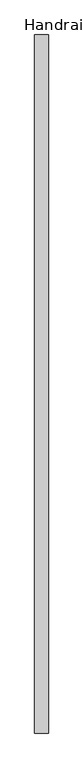
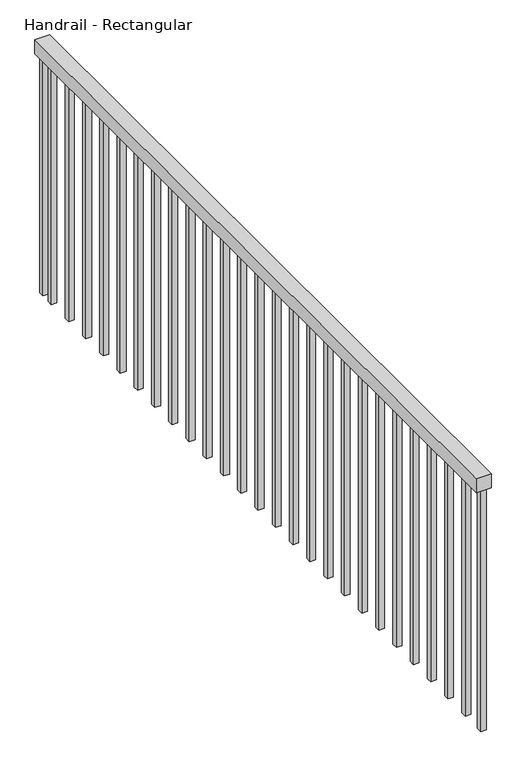
"""IFC4 building model written with IfcOpenShell, lengths in millimetres: railing geometry, Handrail - Rectangular."""

from ifc_helpers import new_model, si_unit, frame, origin, origin_with_axes, place, context, project, spatial, polyline, outline, extrude, source, transform, mapped, element, save


def handrail_rectangular_388d6f8d(model_context):
    return source(origin(), model_context, "Body", "SweptSolid", [
        extrude(outline(polyline([(20071.7463288, 1756.657897), (20020.9463288, 1756.657897), (20020.9463288, 4356.657897), (20071.7463288, 4356.657897), (20071.7463288, 1756.657897)])), frame((0.0, 0.0, 863.6), z_axis=(0.0, 0.0, 1.0), x_axis=(1.0, 0.0, 0.0)), (0.0, 0.0, 1.0), 50.8),
        extrude(outline(polyline([(20055.8713288, 4287.132897), (20036.8213288, 4287.132897), (20036.8213288, 4306.182897), (20055.8713288, 4306.182897), (20055.8713288, 4287.132897)])), origin_with_axes(), (0.0, 0.0, 1.0), 863.6),
        extrude(outline(polyline([(20055.8713288, 4185.532897), (20036.8213288, 4185.532897), (20036.8213288, 4204.582897), (20055.8713288, 4204.582897), (20055.8713288, 4185.532897)])), origin_with_axes(), (0.0, 0.0, 1.0), 863.6),
        extrude(outline(polyline([(20055.8713288, 4083.932897), (20036.8213288, 4083.932897), (20036.8213288, 4102.982897), (20055.8713288, 4102.982897), (20055.8713288, 4083.932897)])), origin_with_axes(), (0.0, 0.0, 1.0), 863.6),
        extrude(outline(polyline([(20055.8713288, 3982.332897), (20036.8213288, 3982.332897), (20036.8213288, 4001.382897), (20055.8713288, 4001.382897), (20055.8713288, 3982.332897)])), origin_with_axes(), (0.0, 0.0, 1.0), 863.6),
        extrude(outline(polyline([(20055.8713288, 3880.732897), (20036.8213288, 3880.732897), (20036.8213288, 3899.782897), (20055.8713288, 3899.782897), (20055.8713288, 3880.732897)])), origin_with_axes(), (0.0, 0.0, 1.0), 863.6),
        extrude(outline(polyline([(20055.8713288, 3779.132897), (20036.8213288, 3779.132897), (20036.8213288, 3798.182897), (20055.8713288, 3798.182897), (20055.8713288, 3779.132897)])), origin_with_axes(), (0.0, 0.0, 1.0), 863.6),
        extrude(outline(polyline([(20055.8713288, 3677.532897), (20036.8213288, 3677.532897), (20036.8213288, 3696.582897), (20055.8713288, 3696.582897), (20055.8713288, 3677.532897)])), origin_with_axes(), (0.0, 0.0, 1.0), 863.6),
        extrude(outline(polyline([(20055.8713288, 3575.932897), (20036.8213288, 3575.932897), (20036.8213288, 3594.982897), (20055.8713288, 3594.982897), (20055.8713288, 3575.932897)])), origin_with_axes(), (0.0, 0.0, 1.0), 863.6),
        extrude(outline(polyline([(20055.8713288, 3474.332897), (20036.8213288, 3474.332897), (20036.8213288, 3493.382897), (20055.8713288, 3493.382897), (20055.8713288, 3474.332897)])), origin_with_axes(), (0.0, 0.0, 1.0), 863.6),
        extrude(outline(polyline([(20055.8713288, 3372.732897), (20036.8213288, 3372.732897), (20036.8213288, 3391.782897), (20055.8713288, 3391.782897), (20055.8713288, 3372.732897)])), origin_with_axes(), (0.0, 0.0, 1.0), 863.6),
        extrude(outline(polyline([(20055.8713288, 3271.132897), (20036.8213288, 3271.132897), (20036.8213288, 3290.182897), (20055.8713288, 3290.182897), (20055.8713288, 3271.132897)])), origin_with_axes(), (0.0, 0.0, 1.0), 863.6),
        extrude(outline(polyline([(20055.8713288, 3169.532897), (20036.8213288, 3169.532897), (20036.8213288, 3188.582897), (20055.8713288, 3188.582897), (20055.8713288, 3169.532897)])), origin_with_axes(), (0.0, 0.0, 1.0), 863.6),
        extrude(outline(polyline([(20055.8713288, 3067.932897), (20036.8213288, 3067.932897), (20036.8213288, 3086.982897), (20055.8713288, 3086.982897), (20055.8713288, 3067.932897)])), origin_with_axes(), (0.0, 0.0, 1.0), 863.6),
        extrude(outline(polyline([(20055.8713288, 2966.332897), (20036.8213288, 2966.332897), (20036.8213288, 2985.382897), (20055.8713288, 2985.382897), (20055.8713288, 2966.332897)])), origin_with_axes(), (0.0, 0.0, 1.0), 863.6),
        extrude(outline(polyline([(20055.8713288, 2864.732897), (20036.8213288, 2864.732897), (20036.8213288, 2883.782897), (20055.8713288, 2883.782897), (20055.8713288, 2864.732897)])), origin_with_axes(), (0.0, 0.0, 1.0), 863.6),
        extrude(outline(polyline([(20055.8713288, 2763.132897), (20036.8213288, 2763.132897), (20036.8213288, 2782.182897), (20055.8713288, 2782.182897), (20055.8713288, 2763.132897)])), origin_with_axes(), (0.0, 0.0, 1.0), 863.6),
        extrude(outline(polyline([(20055.8713288, 2661.532897), (20036.8213288, 2661.532897), (20036.8213288, 2680.582897), (20055.8713288, 2680.582897), (20055.8713288, 2661.532897)])), origin_with_axes(), (0.0, 0.0, 1.0), 863.6),
        extrude(outline(polyline([(20055.8713288, 2559.932897), (20036.8213288, 2559.932897), (20036.8213288, 2578.982897), (20055.8713288, 2578.982897), (20055.8713288, 2559.932897)])), origin_with_axes(), (0.0, 0.0, 1.0), 863.6),
        extrude(outline(polyline([(20055.8713288, 2458.332897), (20036.8213288, 2458.332897), (20036.8213288, 2477.382897), (20055.8713288, 2477.382897), (20055.8713288, 2458.332897)])), origin_with_axes(), (0.0, 0.0, 1.0), 863.6),
        extrude(outline(polyline([(20055.8713288, 2356.732897), (20036.8213288, 2356.732897), (20036.8213288, 2375.782897), (20055.8713288, 2375.782897), (20055.8713288, 2356.732897)])), origin_with_axes(), (0.0, 0.0, 1.0), 863.6),
        extrude(outline(polyline([(20055.8713288, 2255.132897), (20036.8213288, 2255.132897), (20036.8213288, 2274.182897), (20055.8713288, 2274.182897), (20055.8713288, 2255.132897)])), origin_with_axes(), (0.0, 0.0, 1.0), 863.6),
        extrude(outline(polyline([(20055.8713288, 2153.532897), (20036.8213288, 2153.532897), (20036.8213288, 2172.582897), (20055.8713288, 2172.582897), (20055.8713288, 2153.532897)])), origin_with_axes(), (0.0, 0.0, 1.0), 863.6),
        extrude(outline(polyline([(20055.8713288, 2051.932897), (20036.8213288, 2051.932897), (20036.8213288, 2070.982897), (20055.8713288, 2070.982897), (20055.8713288, 2051.932897)])), origin_with_axes(), (0.0, 0.0, 1.0), 863.6),
        extrude(outline(polyline([(20055.8713288, 1950.332897), (20036.8213288, 1950.332897), (20036.8213288, 1969.382897), (20055.8713288, 1969.382897), (20055.8713288, 1950.332897)])), origin_with_axes(), (0.0, 0.0, 1.0), 863.6),
        extrude(outline(polyline([(20055.8713288, 1848.732897), (20036.8213288, 1848.732897), (20036.8213288, 1867.782897), (20055.8713288, 1867.782897), (20055.8713288, 1848.732897)])), origin_with_axes(), (0.0, 0.0, 1.0), 863.6),
        extrude(outline(polyline([(20055.8713288, 4337.607897), (20036.8213288, 4337.607897), (20036.8213288, 4356.657897), (20055.8713288, 4356.657897), (20055.8713288, 4337.607897)])), origin_with_axes(), (0.0, 0.0, 1.0), 863.6),
        extrude(outline(polyline([(20055.8713288, 1756.657897), (20036.8213288, 1756.657897), (20036.8213288, 1775.707897), (20055.8713288, 1775.707897), (20055.8713288, 1756.657897)])), origin_with_axes(), (0.0, 0.0, 1.0), 863.6),
    ])


if __name__ == "__main__":
    model = new_model("IFC4")
    model_context = context("Model", 3, world=origin())
    ifc_project = project(units=[si_unit("LENGTHUNIT", "METRE", prefix="MILLI")], contexts=[model_context])
    site = spatial("IfcSite", under=ifc_project)
    building = spatial("IfcBuilding", under=site)
    placement = place(None, origin())
    handrail_rectangular_shape = handrail_rectangular_388d6f8d(model_context)
    element("IfcRailing", 1, ObjectType="Handrail - Rectangular", at=placement, inside=building, context=model_context, shape_type="MappedRepresentation", body=[
        mapped(handrail_rectangular_shape, transform((0.0, 0.0, 0.0), x_axis=(1.0, 0.0, 0.0), y_axis=(0.0, 1.0, 0.0), z_axis=(0.0, 0.0, 1.0))),
    ])
    save(model, "model.ifc")
